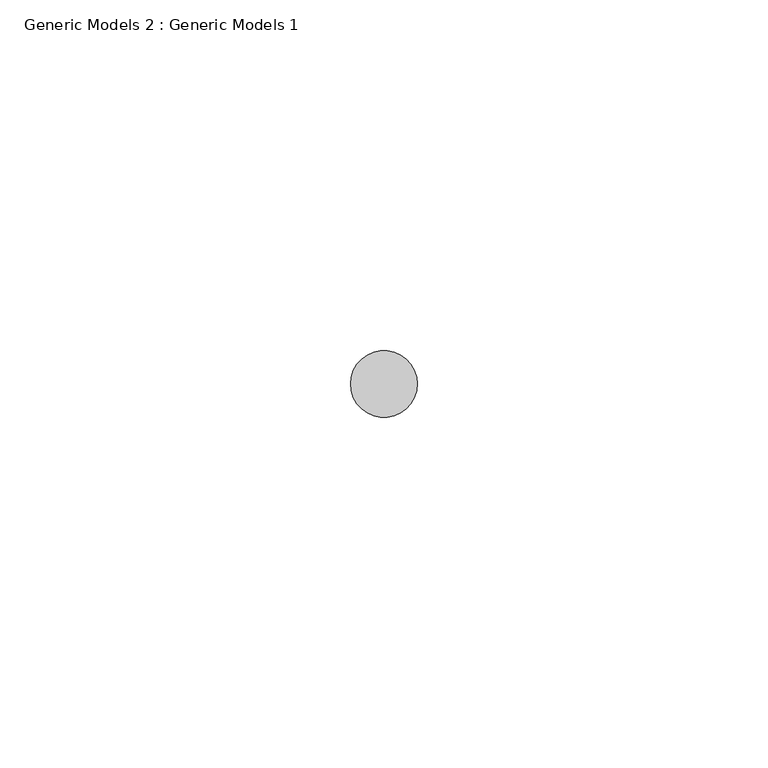
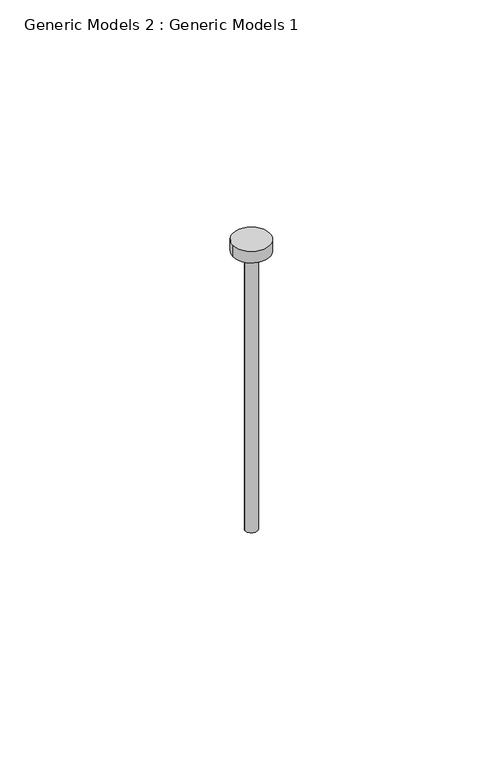
"""IFC4 building model written with IfcOpenShell, lengths in millimetres: proxy geometry, Generic Models 2 : Generic Models 1."""

from ifc_helpers import new_model, si_unit, point, frame, origin, origin_with_axes, origin_2d, place, context, project, spatial, circle_curve, trimmed, segment, composite_curve, outline, extrude, source, transform, mapped, element, save


def generic_models_2_generic_models_1_cb743e03(model_context):
    return source(origin(), model_context, "Body", "SweptSolid", [
        extrude(outline(composite_curve([segment(trimmed(circle_curve(origin_2d(), 1.5875), [point((-1.5875, 0.0))], [point((1.5875, 0.0))], False, "CARTESIAN"), True, "CONTINUOUS"), segment(trimmed(circle_curve(origin_2d(), 1.5875), [point((1.5875, 0.0))], [point((-1.5875, 0.0))], False, "CARTESIAN"), True, "CONTINUOUS")], self_intersect=False)), origin_with_axes(), (0.0, 0.0, 1.0), 76.2),
        extrude(outline(composite_curve([segment(trimmed(circle_curve(origin_2d(), 4.7625), [point((-4.7625, 0.0))], [point((4.7625, 0.0))], False, "CARTESIAN"), True, "CONTINUOUS"), segment(trimmed(circle_curve(origin_2d(), 4.7625), [point((4.7625, 0.0))], [point((-4.7625, 0.0))], False, "CARTESIAN"), True, "CONTINUOUS")], self_intersect=False)), frame((0.0, 0.0, 76.2), z_axis=(0.0, 0.0, 1.0), x_axis=(1.0, 0.0, 0.0)), (0.0, 0.0, 1.0), 3.175),
    ])


if __name__ == "__main__":
    model = new_model("IFC4")
    model_context = context("Model", 3, world=origin())
    ifc_project = project(units=[si_unit("LENGTHUNIT", "METRE", prefix="MILLI")], contexts=[model_context])
    site = spatial("IfcSite", under=ifc_project)
    building = spatial("IfcBuilding", under=site)
    placement = place(None, origin())
    generic_models_2_generic_models_1_shape = generic_models_2_generic_models_1_cb743e03(model_context)
    element("IfcBuildingElementProxy", 1, Name="Generic Models 2 : Generic Models 1", ObjectType="Generic Models 2 : Generic Models 1", at=placement, inside=building, context=model_context, shape_type="MappedRepresentation", body=[
        mapped(generic_models_2_generic_models_1_shape, transform((0.0, 0.0, 0.0), x_axis=(1.0, 0.0, 0.0), y_axis=(0.0, 1.0, 0.0), z_axis=(0.0, 0.0, 1.0))),
    ])
    save(model, "model.ifc")
